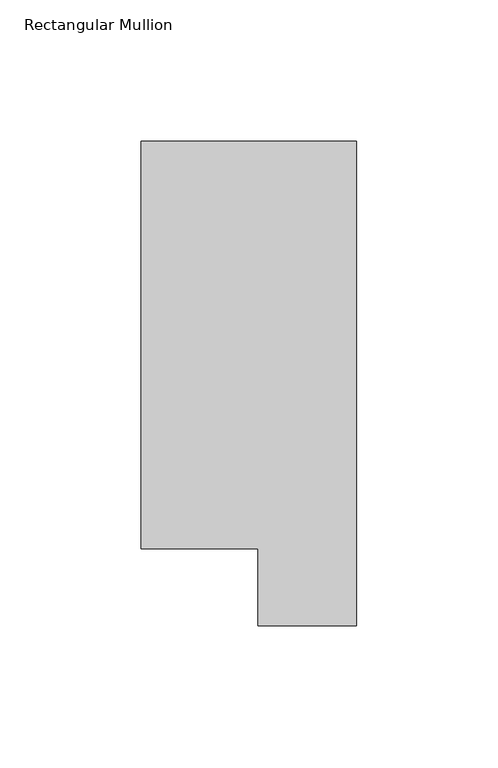
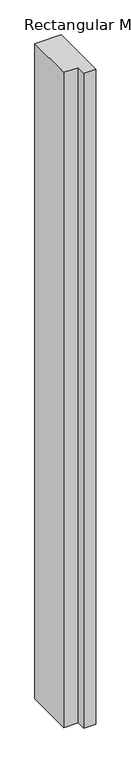
"""IFC4 building model written with IfcOpenShell, lengths in millimetres: member geometry, Rectangular Mullion."""

import ifcopenshell
import ifcopenshell.guid

model = None  # the IFC model being written
_history = None  # IfcOwnerHistory: only IFC2X3 demands one
_inside = {}  # id of a spatial element -> (the spatial element, [elements in it])
_under = {}  # id of a project, library or spatial element -> (it, [spatial elements below it])
_declared = {}  # id of a project -> (the project, [libraries it declares])
_typed = {}  # id of a type object -> (the type object, [elements of that type])
_made_of = {}  # id of a material, layer set ... -> (it, [elements and type objects made of it])


def new_model(schema):
    """Start an empty IFC model of exactly this schema.

    Asked for "IFC4X3", IfcOpenShell would pick the latest addendum, in which some entities
    have other attributes; the version numbers below select the first issue.
    IFC2X3 requires an IfcOwnerHistory on every rooted entity: one is made here for all.
    """
    global model, _history
    if schema == "IFC4X3":
        model = ifcopenshell.file(schema_version=(4, 3, 0, 0))
    else:
        model = ifcopenshell.file(schema=schema)
    _inside.clear()
    _under.clear()
    _declared.clear()
    _typed.clear()
    _made_of.clear()
    _history = None
    if model.schema == "IFC2X3":
        org = make("IfcOrganization", Name="unknown")
        user = make(
            "IfcPersonAndOrganization",
            ThePerson=make("IfcPerson", FamilyName="unknown"),
            TheOrganization=org,
        )
        app = make(
            "IfcApplication",
            ApplicationDeveloper=org,
            Version="unknown",
            ApplicationFullName="unknown",
            ApplicationIdentifier="unknown",
        )
        _history = make(
            "IfcOwnerHistory",
            OwningUser=user,
            OwningApplication=app,
            ChangeAction="ADDED",
            CreationDate=0,
        )
    return model


def make(cls, **values):
    """One entity of the class cls with the attributes given. An attribute that is None is left unset."""
    return model.create_entity(
        cls, **{name: value for name, value in values.items() if value is not None}
    )


def rooted(cls, **values):
    """An entity with a GlobalId (a new one), such as an element, a storey or a relation."""
    return make(cls, GlobalId=ifcopenshell.guid.new(), OwnerHistory=_history, **values)


def si_unit(unit_type, name, prefix=None):
    """IfcSIUnit, for example si_unit("LENGTHUNIT", "METRE", prefix="MILLI")."""
    return make("IfcSIUnit", UnitType=unit_type, Prefix=prefix, Name=name)


def assignment(units):
    """IfcUnitAssignment: the units of a project."""
    return None if units is None else make("IfcUnitAssignment", Units=units)


def point(xyz):
    """IfcCartesianPoint."""
    return None if xyz is None else make("IfcCartesianPoint", Coordinates=xyz)


def direction(xyz):
    """IfcDirection."""
    return None if xyz is None else make("IfcDirection", DirectionRatios=xyz)


def frame(location, z_axis=None, x_axis=None):
    """IfcAxis2Placement3D, a coordinate frame: its origin and axes. An axis left out is left unset."""
    return make(
        "IfcAxis2Placement3D",
        Location=point(location),
        Axis=direction(z_axis),
        RefDirection=direction(x_axis),
    )


def origin():
    """The frame at (0, 0, 0) with its axes left unset."""
    return frame((0.0, 0.0, 0.0))


def place(relative_to, where):
    """IfcLocalPlacement: puts the frame where relative to a parent placement (None: the world)."""
    return make(
        "IfcLocalPlacement", PlacementRelTo=relative_to, RelativePlacement=where
    )


def context(
    kind, dimensions, precision=None, world=None, true_north=None, identifier=None
):
    """IfcGeometricRepresentationContext, for example the 3D "Model" context."""
    return make(
        "IfcGeometricRepresentationContext",
        ContextIdentifier=identifier,
        ContextType=kind,
        CoordinateSpaceDimension=dimensions,
        Precision=precision,
        WorldCoordinateSystem=world,
        TrueNorth=true_north,
    )


def project(units=None, contexts=None):
    """IfcProject with its units and contexts."""
    return rooted(
        "IfcProject",
        Name="project",
        RepresentationContexts=contexts,
        UnitsInContext=assignment(units),
    )


def spatial(cls, under=None, at=None, **own):
    """A site, building, storey or space (cls), placed at a placement, below another one or the project."""
    s = rooted(cls, ObjectPlacement=at, **own)
    if under is not None:
        _under.setdefault(under.id(), (under, []))[1].append(s)
    return s


def polyline(points):
    """IfcPolyline through the points."""
    return make("IfcPolyline", Points=[point(p) for p in points])


def outline(outer, holes=None, kind="AREA"):
    """IfcArbitraryClosedProfileDef: a profile drawn as a closed curve; with holes, ...WithVoids."""
    if holes is None:
        return make("IfcArbitraryClosedProfileDef", ProfileType=kind, OuterCurve=outer)
    return make(
        "IfcArbitraryProfileDefWithVoids",
        ProfileType=kind,
        OuterCurve=outer,
        InnerCurves=holes,
    )


def extrude(swept, where, along, depth):
    """IfcExtrudedAreaSolid: the profile swept, set in the frame where, extruded along a direction by depth."""
    return make(
        "IfcExtrudedAreaSolid",
        SweptArea=swept,
        Position=where,
        ExtrudedDirection=direction(along),
        Depth=depth,
    )


def shape(context_of_items, identifier, shape_type, items):
    """IfcShapeRepresentation: the items that make up one representation, for example the "Body"."""
    return make(
        "IfcShapeRepresentation",
        ContextOfItems=context_of_items,
        RepresentationIdentifier=identifier,
        RepresentationType=shape_type,
        Items=items,
    )


def source(mapping_origin, context_of_items, identifier, shape_type, items):
    """IfcRepresentationMap: a shape defined once, which mapped items show again and again."""
    return make(
        "IfcRepresentationMap",
        MappingOrigin=mapping_origin,
        MappedRepresentation=shape(context_of_items, identifier, shape_type, items),
    )


def transform(
    local_origin,
    x_axis=None,
    y_axis=None,
    z_axis=None,
    scale=None,
    scale2=None,
    scale3=None,
    uniform=True,
):
    """IfcCartesianTransformationOperator3D, or its non-uniform kind. x_axis, y_axis, z_axis: its Axis1, 2, 3."""
    if uniform:
        return make(
            "IfcCartesianTransformationOperator3D",
            Axis1=direction(x_axis),
            Axis2=direction(y_axis),
            LocalOrigin=point(local_origin),
            Scale=scale,
            Axis3=direction(z_axis),
        )
    return make(
        "IfcCartesianTransformationOperator3DnonUniform",
        Axis1=direction(x_axis),
        Axis2=direction(y_axis),
        LocalOrigin=point(local_origin),
        Scale=scale,
        Axis3=direction(z_axis),
        Scale2=scale2,
        Scale3=scale3,
    )


def mapped(mapping_source, mapping_target):
    """IfcMappedItem: shows the shape of a source again, moved by a transform."""
    return make(
        "IfcMappedItem", MappingSource=mapping_source, MappingTarget=mapping_target
    )


def made_of(thing, what):
    """Note that an element or type object is made of a material, layer set ...; save() writes the relation."""
    if what is not None:
        _made_of.setdefault(what.id(), (what, []))[1].append(thing)
    return thing


def element(
    cls,
    number,
    at=None,
    inside=None,
    cuts=None,
    type_object=None,
    material=None,
    context=None,
    identifier="Body",
    shape_type=None,
    held_by="IfcProductDefinitionShape",
    body=None,
    shapes=None,
    **own,
):
    """One element of the class cls, such as IfcWall. Its Tag is "e" and its number.

    at: its placement. inside: the storey or other place that contains it. cuts: it is an
    opening in that element (IfcRelVoidsElement). A single representation is given by context,
    identifier, shape_type and body (its items); several are given by shapes. held_by: the class
    of the entity that holds the representations. save() writes the other relations.
    """
    e = rooted(cls, Tag="e%d" % number, ObjectPlacement=at, **own)
    if body is not None:
        shapes = [shape(context, identifier, shape_type, body)]
    if shapes is not None:
        e.Representation = make(held_by, Representations=shapes)
    if inside is not None:
        _inside.setdefault(inside.id(), (inside, []))[1].append(e)
    if cuts is not None:
        rooted(
            "IfcRelVoidsElement", RelatingBuildingElement=cuts, RelatedOpeningElement=e
        )
    if type_object is not None:
        _typed.setdefault(type_object.id(), (type_object, []))[1].append(e)
    return made_of(e, material)


def aggregate(whole, parts):
    """IfcRelAggregates: a whole, such as a stair, and the parts it consists of."""
    return rooted("IfcRelAggregates", RelatingObject=whole, RelatedObjects=parts)


def save(model, path):
    """Write the relations noted so far, then the file.

    IfcRelAggregates (storeys below a building ...), IfcRelContainedInSpatialStructure (elements
    in a storey), IfcRelDefinesByType, IfcRelAssociatesMaterial and IfcRelDeclares: one each for
    every whole, place, type object, material and project.
    """
    for whole, parts in _under.values():
        aggregate(whole, parts)
    for where, things in _inside.values():
        rooted(
            "IfcRelContainedInSpatialStructure",
            RelatedElements=things,
            RelatingStructure=where,
        )
    for kind, things in _typed.values():
        rooted("IfcRelDefinesByType", RelatedObjects=things, RelatingType=kind)
    for what, things in _made_of.values():
        rooted("IfcRelAssociatesMaterial", RelatedObjects=things, RelatingMaterial=what)
    for by, libraries in _declared.values():
        rooted("IfcRelDeclares", RelatingContext=by, RelatedDefinitions=libraries)
    model.write(path)


def rectangular_mullion_d89e45ad(model_context):
    return source(origin(), model_context, "Body", "SweptSolid", [
        extrude(outline(polyline([(0.0, 190.7881313), (0.0, 19.5667312), (-34.9123, 19.5667312), (-34.9123, 46.7447302), (-76.2, 46.7447302), (-76.2, 190.7881313), (0.0, 190.7881313)])), frame((0.0, 0.0, -1993.8999996), z_axis=(0.0, 0.0, 1.0), x_axis=(1.0, 0.0, 0.0)), (0.0, 0.0, 1.0), 1993.8999996),
    ])


if __name__ == "__main__":
    model = new_model("IFC4")
    model_context = context("Model", 3, world=origin())
    ifc_project = project(units=[si_unit("LENGTHUNIT", "METRE", prefix="MILLI")], contexts=[model_context])
    site = spatial("IfcSite", under=ifc_project)
    building = spatial("IfcBuilding", under=site)
    placement = place(None, origin())
    rectangular_mullion_shape = rectangular_mullion_d89e45ad(model_context)
    element("IfcMember", 1, ObjectType="Rectangular Mullion", at=placement, inside=building, context=model_context, shape_type="MappedRepresentation", body=[
        mapped(rectangular_mullion_shape, transform((0.0, 0.0, 0.0), x_axis=(1.0, 0.0, 0.0), y_axis=(0.0, 1.0, 0.0), z_axis=(0.0, 0.0, 1.0))),
    ])
    save(model, "model.ifc")
